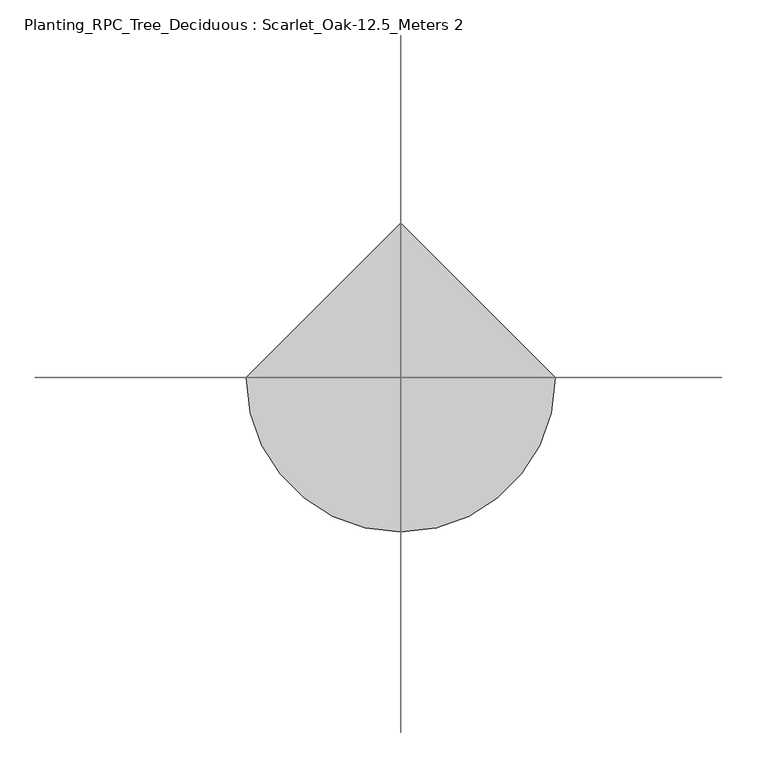
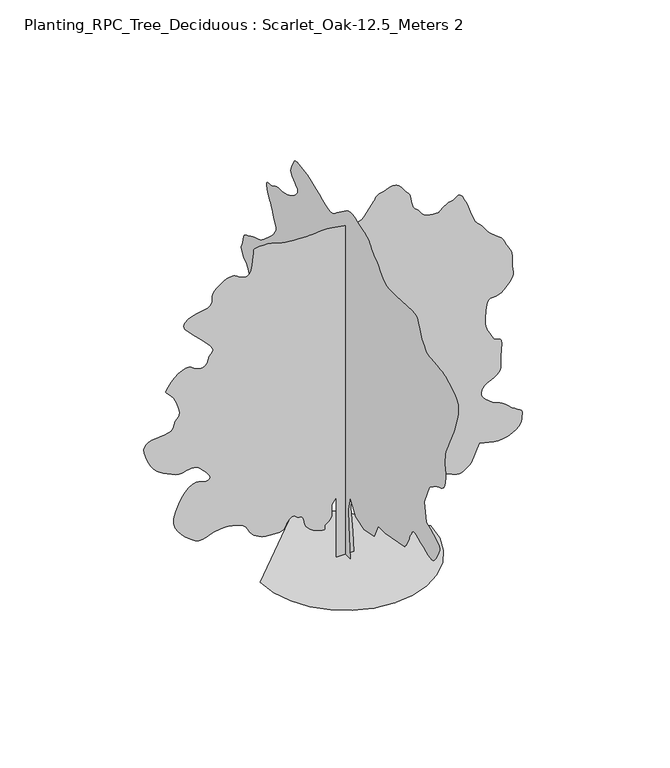
"""IFC4 building model written with IfcOpenShell, lengths in millimetres: geographic element geometry, Planting_RPC_Tree_Deciduous : Scarlet_Oak-12.5_Meters 2."""

from ifc_helpers import new_model, si_unit, origin, place, context, project, spatial, triangles, source, transform, mapped, element, save


def planting_rpc_tree_deciduous_scarlet_oak_12_5_meters_2_d5b0409a(model_context):
    return source(origin(), model_context, "Body", "Tessellation", [
        triangles([(0.0255307, 452.891106, 0.0), (0.0255307, -434.4762053, 0.0), (0.0255307, -291.3528012, 1688.8576698), (0.0255307, -262.7273864, 2490.3479919), (0.0255307, -434.4762053, 3234.5918083), (0.0255307, -892.4732861, 2490.3479919), (0.0255307, -1636.7134689, 2261.3512138), (0.0255307, -2495.4537849, 2461.7247391), (0.0255307, -2838.9508415, 3177.3418144), (0.0255307, -3440.0714172, 3177.3418144), (0.0255307, -5100.3020554, 3492.2153275), (0.0255307, -5161.3890244, 3565.9047249), (0.0255307, -5220.9958511, 3640.0932198), (0.0255307, -5277.5691422, 3715.2810722), (0.0255307, -5329.6281738, 3791.9819138), (0.0255307, -5375.692804, 3870.6808891), (0.0255307, -5414.246846, 3951.89599), (0.0255307, -5443.8101578, 4036.0710846), (0.0255307, -5472.5217773, 4122.7989304), (0.0255307, -5508.7451477, 4211.0069183), (0.0255307, -5551.2210434, 4300.4729691), (0.0255307, -5598.691983, 4390.9380867), (0.0255307, -5649.9371109, 4482.1429848), (0.0255307, -5703.6611572, 4573.8658745), (0.0255307, -5758.679892, 4665.8111343), (0.0255307, -5784.8759674, 4695.5221115), (0.0255307, -5821.0987564, 4719.4979736), (0.0255307, -5877.3389282, 4731.9300636), (0.0255307, -5963.6231964, 4727.0829758), (0.0255307, -6089.9782745, 4699.2218857), (0.0255307, -6266.3942505, 4642.5381363), (0.0255307, -6502.8978378, 4551.3329475), (0.0255307, -6752.611084, 4443.9958946), (0.0255307, -6965.2498489, 4348.2029045), (0.0255307, -7145.846965, 4271.9090149), (0.0255307, -7299.3968948, 4223.1800125), (0.0255307, -7430.9318893, 4210.0081421), (0.0255307, -7545.4097855, 4240.385067), (0.0255307, -7647.9000412, 4322.3399483), (0.0255307, -7751.3152405, 4451.4329407), (0.0255307, -7858.2081345, 4608.5718956), (0.0255307, -7958.1078506, 4779.7341225), (0.0255307, -8040.4702652, 4950.8960587), (0.0255307, -8094.7861359, 5108.0347229), (0.0255307, -8110.5851715, 5237.165213), (0.0255307, -8077.2848785, 5324.1889709), (0.0255307, -7995.9218216, 5389.7157852), (0.0255307, -7878.4842224, 5462.7171432), (0.0255307, -7731.0391525, 5542.0082336), (0.0255307, -7559.5071808, 5626.2937866), (0.0255307, -7369.9931671, 5714.3541092), (0.0255307, -7168.4537247, 5804.8927689), (0.0255307, -6960.9210434, 5896.6900726), (0.0255307, -6789.1669922, 6869.9382248), (0.0255307, -7218.5152039, 7871.7869568), (0.0255307, -7232.0568192, 7890.9160217), (0.0255307, -7253.0729782, 7914.2628525), (0.0255307, -7289.1481018, 7946.1568359), (0.0255307, -7347.7189453, 7990.8157379), (0.0255307, -7436.3338852, 8052.4579056), (0.0255307, -7562.5407166, 8135.4121445), (0.0255307, -7733.7767761, 8243.9328461), (0.0255307, -7919.5538086, 8342.2419617), (0.0255307, -8084.2780563, 8406.4740875), (0.0255307, -8227.986145, 8458.7179916), (0.0255307, -8350.6780746, 8520.9891907), (0.0255307, -8452.3172195, 8615.3020386), (0.0255307, -8532.9402054, 8763.672052), (0.0255307, -8592.5098251, 8988.1507919), (0.0255307, -8626.9937668, 9208.6338455), (0.0255307, -8636.910022, 9350.0112625), (0.0255307, -8629.3250198, 9441.8079849), (0.0255307, -8611.1947311, 9513.5879059), (0.0255307, -8589.5867477, 9594.8771301), (0.0255307, -8571.4942474, 9715.201181), (0.0255307, -8563.9092453, 9904.1605774), (0.0255307, -8566.5730362, 10112.6176208), (0.0255307, -8578.2647644, 10285.5186951), (0.0255307, -8604.4608398, 10443.4346375), (0.0255307, -8650.6737167, 10606.8269897), (0.0255307, -8722.4542191, 10796.2665894), (0.0255307, -8825.2770126, 11032.2905548), (0.0255307, -8964.6190887, 11335.3941467), (0.0255307, -9096.93078, 11609.3785858), (0.0255307, -9185.138768, 11774.6952393), (0.0255307, -9244.7828018, 11876.9262085), (0.0255307, -9291.4398376, 11961.6187134), (0.0255307, -9340.612999, 12074.3583435), (0.0255307, -9407.7682022, 12260.7272003), (0.0255307, -9508.5190292, 12566.2364594), (0.0255307, -9617.0769379, 12919.6602356), (0.0255307, -9690.1149216, 13224.0218903), (0.0255307, -9716.5702835, 13486.3151825), (0.0255307, -9685.4157898, 13713.5687531), (0.0255307, -9585.700946, 13912.7775238), (0.0255307, -9406.3618927, 14090.9317657), (0.0255307, -9136.37314, 14255.1008148), (0.0255307, -8874.4129669, 14390.0402527), (0.0255307, -8702.103717, 14482.9473724), (0.0255307, -8582.8528564, 14544.2564209), (0.0255307, -8480.1038956, 14584.5865173), (0.0255307, -8357.3381332, 14614.3707458), (0.0255307, -8177.9990799, 14644.1561371), (0.0255307, -7905.5308273, 14684.4862335), (0.0255307, -7613.2678528, 14716.2691772), (0.0255307, -7386.6061066, 14728.5533112), (0.0255307, -7207.0077667, 14743.7965668), (0.0255307, -7055.9739624, 14784.6080292), (0.0255307, -6914.930246, 14873.4816742), (0.0255307, -6765.3760025, 15032.9893799), (0.0255307, -6588.7751541, 15285.587915), (0.0255307, -6434.5589859, 15563.310498), (0.0255307, -6343.4279205, 15786.4945496), (0.0255307, -6283.8577194, 15960.0606995), (0.0255307, -6224.2508926, 16089.0795685), (0.0255307, -6133.1198273, 16178.5462006), (0.0255307, -5978.9042404, 16233.4544769), (0.0255307, -5730.0421051, 16258.8354858), (0.0255307, -4356.0469025, 16172.9593323), (0.0255307, -4102.7821289, 16177.3985962), (0.0255307, -3896.5810524, 16176.8067719), (0.0255307, -3721.3859322, 16187.2410187), (0.0255307, -3561.2425095, 16224.6852448), (0.0255307, -3400.0927528, 16305.2338165), (0.0255307, -3221.919326, 16444.8345978), (0.0255307, -3010.6973351, 16659.5831177), (0.0255307, -2807.1565613, 16876.4768555), (0.0255307, -2654.6833099, 17024.2550446), (0.0255307, -2541.2710464, 17121.4909698), (0.0255307, -2454.8946327, 17186.6846649), (0.0255307, -2383.5437553, 17238.337326), (0.0255307, -2315.1935669, 17294.9838684), (0.0255307, -2237.8340446, 17375.1999023), (0.0255307, -2163.5602352, 17469.9197021), (0.0255307, -2102.8024612, 17558.1282715), (0.0255307, -2041.0495445, 17640.3418579), (0.0255307, -1963.7712673, 17717.0057831), (0.0255307, -1856.4490391, 17788.7118713), (0.0255307, -1704.5603451, 17855.9042816), (0.0255307, -1493.5900829, 17919.0632172), (0.0255307, -1256.7494522, 17988.6601318), (0.0255307, -1035.9297186, 18065.7682159), (0.0255307, -829.6287935, 18136.8824799), (0.0255307, -636.3519281, 18188.4595642), (0.0255307, -454.5894035, 18206.9968048), (0.0255307, -282.8398397, 18178.9508423), (0.0255307, -119.6039822, 18090.816687), (0.0255307, 739.137878, 17461.0772186), (0.0255307, 832.1040785, 17376.4579651), (0.0255307, 922.06959, 17299.349881), (0.0255307, 1020.0418802, 17237.2269287), (0.0255307, 1137.0470203, 17197.6735291), (0.0255307, 1284.0924053, 17188.1648071), (0.0255307, 1472.1967667, 17216.2107697), (0.0255307, 1712.3784725, 17289.3225861), (0.0255307, 1984.939016, 17397.881076), (0.0255307, 2259.5011814, 17519.9806), (0.0255307, 2531.0588791, 17644.5974121), (0.0255307, 2794.6061646, 17760.6659088), (0.0255307, 3045.1370934, 17857.2355957), (0.0255307, 3277.6377274, 17923.2443573), (0.0255307, 3487.1095345, 17947.701004), (0.0255307, 3677.6333702, 17961.0583282), (0.0255307, 3854.6228577, 17991.4355438), (0.0255307, 4015.1290489, 18024.2905151), (0.0255307, 4156.0620163, 18045.1590088), (0.0255307, 4274.4989731, 18039.4977264), (0.0255307, 4367.3688858, 17992.7668579), (0.0255307, 4431.7120514, 17890.4254303), (0.0255307, 4489.2099953, 17761.8495575), (0.0255307, 4555.2178848, 17643.2649353), (0.0255307, 4617.230088, 17530.6741333), (0.0255307, 4662.7401009, 17420.0808838), (0.0255307, 4679.1678772, 17307.5272888), (0.0255307, 4654.0449921, 17188.9415039), (0.0255307, 4574.8649414, 17060.3295868), (0.0255307, 4453.6900703, 16942.4844543), (0.0255307, 4323.9680466, 16850.1703217), (0.0255307, 4205.3090103, 16770.3984467), (0.0255307, 4117.174855, 16690.1079987), (0.0255307, 4079.1390953, 16596.312561), (0.0255307, 4110.6630432, 16475.9885101), (0.0255307, 4231.3571297, 16316.0750153), (0.0255307, 4398.0050972, 16156.7533447), (0.0255307, 4555.1440521, 16040.5360199), (0.0255307, 4703.7730614, 15957.8038605), (0.0255307, 4844.8909012, 15899.1586029), (0.0255307, 4979.4972198, 15854.9810669), (0.0255307, 5108.6271286, 15815.8718262), (0.0255307, 5233.2061523, 15772.2117004), (0.0255307, 5357.6369293, 15738.5788696), (0.0255307, 5485.5831894, 15727.4795471), (0.0255307, 5617.0071442, 15726.4063568), (0.0255307, 5751.9460007, 15722.817041), (0.0255307, 5890.3997589, 15704.2065491), (0.0255307, 6032.3690002, 15658.0302979), (0.0255307, 6177.8159363, 15571.856488), (0.0255307, 6328.1468765, 15495.304184), (0.0255307, 6475.9250656, 15467.8500458), (0.0255307, 6608.2001312, 15461.4120667), (0.0255307, 6711.9478683, 15447.9814911), (0.0255307, 6774.1080276, 15399.5111938), (0.0255307, 6781.6930298, 15287.9191681), (0.0255307, 6721.7158768, 15085.2327026), (0.0255307, 6633.0637299, 14871.9282806), (0.0255307, 6559.4711288, 14728.2196106), (0.0255307, 6494.8692581, 14625.5444824), (0.0255307, 6433.3009232, 14535.4127747), (0.0255307, 6368.6990524, 14429.2599518), (0.0255307, 6295.0692444, 14278.5586853), (0.0255307, 6206.4537231, 14054.7456024), (0.0255307, 6112.8071136, 13834.5962494), (0.0255307, 6032.2207535, 13695.5500854), (0.0255307, 5970.6157928, 13610.0797211), (0.0255307, 5934.0598846, 13550.6577667), (0.0255307, 5928.5468491, 13489.7556702), (0.0255307, 5960.1077133, 13399.7716278), (0.0255307, 6034.7002533, 13253.2515015), (0.0255307, 6167.4927292, 13059.0389374), (0.0255307, 6353.8249603, 12852.8375702), (0.0255307, 6570.2379135, 12647.117569), (0.0255307, 6793.1260529, 12454.4223541), (0.0255307, 6999.0309265, 12287.2558136), (0.0255307, 7164.3469986, 12158.1625305), (0.0255307, 7265.5791916, 12079.6115112), (0.0255307, 7355.4521942, 12030.4761383), (0.0255307, 7490.3910507, 11980.8221924), (0.0255307, 7652.3770935, 11930.1694702), (0.0255307, 7823.3910736, 11877.9993988), (0.0255307, 7985.3771164, 11823.8306122), (0.0255307, 8120.3159729, 11767.1840698), (0.0255307, 8210.1889755, 11707.502829), (0.0255307, 8285.4471725, 11657.9232971), (0.0255307, 8381.2767883, 11622.8835754), (0.0255307, 8486.5790817, 11588.8437927), (0.0255307, 8590.4012329, 11542.2605896), (0.0255307, 8681.7171707, 11469.6673462), (0.0255307, 8749.4641983, 11357.4834961), (0.0255307, 8782.6900772, 11192.2412567), (0.0255307, 8809.8849289, 11026.2595276), (0.0255307, 8856.6157974, 10908.8585541), (0.0255307, 8907.3429337, 10821.9824615), (0.0255307, 8946.5998398, 10747.6114197), (0.0255307, 8958.772934, 10667.7662933), (0.0255307, 8928.3957184, 10564.3505127), (0.0255307, 8839.9290253, 10419.3849426), (0.0255307, 8730.1130539, 10283.5955566), (0.0255307, 8641.3132416, 10202.4167908), (0.0255307, 8566.5358292, 10149.7665161), (0.0255307, 8498.7521759, 10099.5939972), (0.0255307, 8431.0051483, 10025.8903564), (0.0255307, 8356.2277359, 9902.6432281), (0.0255307, 8267.4279236, 9703.768158), (0.0255307, 8170.6361572, 9504.5599686), (0.0255307, 8081.8357635, 9378.9821686), (0.0255307, 8009.0570663, 9298.9510071), (0.0255307, 7960.328064, 9236.4211029), (0.0255307, 7943.6407104, 9163.4197449), (0.0255307, 7966.9881226, 9051.8277191), (0.0255307, 8038.4349243, 8873.6728958), (0.0255307, 8133.3401779, 8678.7940933), (0.0255307, 8222.6951889, 8527.5010025), (0.0255307, 8308.0911392, 8407.2507843), (0.0255307, 8390.933757, 8305.501181), (0.0255307, 8472.8148056, 8209.7820236), (0.0255307, 8555.1772202, 8107.5510544), (0.0255307, 8639.5371872, 7986.3020599), (0.0255307, 8737.4387695, 7866.7180801), (0.0255307, 8851.3620483, 7769.1490356), (0.0255307, 8969.2810135, 7680.6079285), (0.0255307, 9079.2080246, 7588.0339279), (0.0255307, 9169.0810272, 7478.477243), (0.0255307, 9226.9117996, 7338.8392548), (0.0255307, 9240.6760757, 7156.1701721), (0.0255307, 9252.2567642, 7012.7207886), (0.0255307, 9294.9181137, 6965.3980957), (0.0255307, 9343.5732834, 6963.1412567), (0.0255307, 9373.2098465, 6954.8900162), (0.0255307, 9358.7432877, 6889.5480743), (0.0255307, 9275.2338501, 6716.0551758), (0.0255307, 9097.5598114, 6383.313858), (0.0255307, 8911.7827789, 6010.0947784), (0.0255307, 8799.6361359, 5735.5551407), (0.0255307, 8729.5212296, 5539.0851563), (0.0255307, 8669.9510284, 5400.2238647), (0.0255307, 8589.3280426, 5298.3998474), (0.0255307, 8456.1280334, 5213.1149368), (0.0255307, 8238.8267624, 5123.8337585), (0.0255307, 7987.9298676, 5051.3881805), (0.0255307, 7767.1142761, 5021.010965), (0.0255307, 7564.3167709, 5018.6797119), (0.0255307, 7367.5508743, 5030.3720215), (0.0255307, 7164.7539505, 5042.027124), (0.0255307, 6943.9377777, 5039.695871), (0.0255307, 6693.0780899, 5009.3192368), (0.0255307, 6442.8840591, 4982.1238037), (0.0255307, 6226.7298111, 4987.9699585), (0.0255307, 6036.6239731, 5010.8360046), (0.0255307, 5864.5368027, 5034.700827), (0.0255307, 5702.4769272, 5043.5438919), (0.0255307, 5542.4151855, 5021.3440842), (0.0255307, 5376.3218353, 4952.0802887), (0.0255307, 5217.3699097, 4878.4498993), (0.0255307, 5085.9087479, 4839.8958572), (0.0255307, 4985.0102554, 4815.3650871), (0.0255307, 4917.6701797, 4783.8411392), (0.0255307, 4886.8860123, 4724.2340218), (0.0255307, 4895.6552444, 4615.6019897), (0.0255307, 4946.974205, 4436.8181351), (0.0255307, 5029.7429901, 4246.8968788), (0.0255307, 5129.050882, 4112.5129303), (0.0255307, 5242.160257, 4024.4901054), (0.0255307, 5366.2579147, 3973.5039734), (0.0255307, 5498.606813, 3950.3050987), (0.0255307, 5636.4687469, 3945.6059669), (0.0255307, 5777.0688858, 3950.194059), (0.0255307, 6320.9688263, 3349.0920868), (0.0255307, 6363.5929688, 3281.4078461), (0.0255307, 6404.4782639, 3212.4768791), (0.0255307, 6441.8852829, 3141.0411232), (0.0255307, 6474.0007645, 3065.8460037), (0.0255307, 6499.124231, 2985.6482826), (0.0255307, 6515.4778839, 2899.1904785), (0.0255307, 6521.3240387, 2805.221505), (0.0255307, 6520.3252625, 2707.2455086), (0.0255307, 6513.3320847, 2610.2723579), (0.0255307, 6494.2768524, 2515.3043175), (0.0255307, 6457.2401596, 2423.3372566), (0.0255307, 6396.1531906, 2335.3770733), (0.0255307, 6305.0221252, 2252.4231251), (0.0255307, 6177.8159363, 2175.4779671), (0.0255307, 6056.4931091, 2110.1322464), (0.0255307, 5971.2081985, 2059.3090405), (0.0255307, 5898.42892, 2020.0038815), (0.0255307, 5814.6241516, 1989.2088135), (0.0255307, 5696.2982346, 1963.9230022), (0.0255307, 5519.8822586, 1941.1383465), (0.0255307, 5261.8439392, 1917.8543026), (0.0255307, 4968.3229019, 1921.1917442), (0.0255307, 4697.8530739, 1972.5995075), (0.0255307, 4445.4019135, 2060.5633244), (0.0255307, 4205.974958, 2173.5575901), (0.0255307, 3974.576873, 2300.075449), (0.0255307, 3746.1390724, 2428.5949299), (0.0255307, 3515.7324966, 2547.5979858), (0.0255307, 3310.2680031, 2655.8378906), (0.0255307, 3151.3713066, 2758.0688599), (0.0255307, 3026.0228531, 2851.7898834), (0.0255307, 2921.2054138, 2934.4921028), (0.0255307, 2823.899144, 3003.6747986), (0.0255307, 2721.0836174, 3056.8363792), (0.0255307, 2599.7421867, 3091.468277), (0.0255307, 2466.2980064, 3120.6760872), (0.0255307, 2334.8590816, 3156.895388), (0.0255307, 2203.9198357, 3196.6223236), (0.0255307, 2071.9815228, 3236.3454803), (0.0255307, 1937.534642, 3272.5647812), (0.0255307, 1799.0843719, 3301.7725914), (0.0255307, 1655.1283333, 3320.4650551), (0.0255307, 1507.916534, 3330.2292847), (0.0255307, 1360.700956, 3335.4871033), (0.0255307, 1213.4890114, 3336.9893372), (0.0255307, 1066.2770668, 3335.4871033), (0.0255307, 919.0651949, 3331.7315186), (0.0255307, 771.8496168, 3326.4739906), (0.0255307, 624.6376722, 3320.4650551), (0.0255307, 338.3916269, 2891.0950424), (0.0255307, 281.1415422, 2232.727961), (415.0586042, 0.0008892, 0.0136341), (-443.6817844, 0.0008892, 0.0136341), (-443.6817844, 0.0007039, 3148.7296074), (-672.682196, 0.0007039, 2833.8595825), (-672.682196, 0.000741, 2490.3628166), (-667.4245228, 0.000741, 2410.664629), (-667.4245228, 0.000741, 2331.2145367), (-677.9398693, 0.000741, 2252.2677567), (-704.2246748, 0.000778, 2174.0719482), (-751.5440248, 0.000778, 2096.8788403), (-825.1518139, 0.000778, 2020.9326038), (-930.3020817, 0.000778, 1946.4922348), (-1012.6714725, 0.000778, 1869.2141029), (-1035.4561283, 0.000778, 1790.9332706), (-1030.1983824, 0.000778, 1721.169651), (-1028.444565, 0.000778, 1669.425135), (-1061.7445673, 0.000778, 1645.22356), (-1161.6372345, 0.000778, 1658.0772812), (-1359.6722397, 0.000778, 1717.495602), (-1585.5831596, 0.000778, 1810.0473656), (-1754.4105, 0.000778, 1914.613076), (-1875.6669067, 0.000778, 2029.1983784), (-1958.8724384, 0.000778, 2151.7904594), (-2013.536253, 0.000741, 2280.3913307), (-2049.1709965, 0.000741, 2412.9993702), (-2075.2929485, 0.000741, 2547.6128105), (-2081.9678318, 0.000741, 2584.2466209), (-2091.898621, 0.000741, 2619.8810738), (-2108.3377338, 0.000741, 2653.5179741), (-2134.5448551, 0.000741, 2684.142849), (-2173.7648449, 0.000741, 2710.7641891), (-2229.2648003, 0.000741, 2732.3797302), (-2304.2897266, 0.000741, 2747.9863358), (-2379.314653, 0.000741, 2773.6865112), (-2438.3148308, 0.000741, 2816.9173027), (-2489.807618, 0.0007039, 2863.6519501), (-2542.299472, 0.0007039, 2899.8712509), (-2604.3078964, 0.0007039, 2911.5560028), (-2684.3387672, 0.0007039, 2884.6829338), (-2790.9098785, 0.000741, 2805.2328415), (-2884.6274139, 0.000741, 2694.0736382), (-2937.7889946, 0.000741, 2585.4157356), (-2976.4279152, 0.000741, 2485.2715576), (-3026.5815399, 0.000741, 2399.6461155), (-3114.2936279, 0.000741, 2334.5557571), (-3265.5939857, 0.000741, 2295.9979362), (-3506.5269539, 0.000741, 2289.989146), (-3772.7420998, 0.000741, 2307.6825428), (-3988.8960571, 0.000741, 2336.890353), (-4164.4609222, 0.000741, 2378.6190559), (-4309.0201218, 0.000741, 2433.863649), (-4432.0448799, 0.000741, 2503.6309021), (-4543.0078743, 0.000741, 2588.9233704), (-4651.5288666, 0.000741, 2690.7363419), (-4743.5479591, 0.000741, 2802.3949333), (-4809.5930557, 0.0007039, 2914.5601799), (-4865.573941, 0.0007039, 3024.2171494), (-4927.5858536, 0.0007039, 3128.3686409), (-5011.6132828, 0.0007039, 3224.0061172), (-5133.7128067, 0.0007039, 3308.1291801), (-5309.8700775, 0.0007039, 3377.7298737), (-5486.9889175, 0.0007039, 3430.6362373), (-5615.4897949, 0.0006669, 3468.0249435), (-5716.9812744, 0.0006669, 3491.8935448), (-5812.959137, 0.0006669, 3504.2442444), (-5924.9209076, 0.0006669, 3507.0818619), (-6074.4751511, 0.0006669, 3502.4088913), (-6283.1182297, 0.0006669, 3492.2263733), (-6512.5181808, 0.0006669, 3456.0922417), (-6716.4249207, 0.0007039, 3388.9114586), (-6904.2739197, 0.0007039, 3315.72174), (-7085.6111069, 0.0007039, 3261.5610924), (-7269.9818298, 0.0007039, 3251.4637436), (-7466.8221405, 0.0007039, 3310.4639214), (-7685.7140121, 0.0006669, 3463.6034111), (-7914.7442184, 0.0006669, 3668.3981781), (-8126.1987534, 0.0006669, 3871.6799561), (-8306.1302124, 0.0006298, 4082.506041), (-8440.4772446, 0.0006298, 4309.8340256), (-8515.2540756, 0.0006298, 4562.6921379), (-8516.4377243, 0.0005928, 4850.1080246), (-8429.969165, 0.0005928, 5181.073288), (-8285.2617188, 0.0005557, 5514.8872147), (-8124.0157471, 0.0005557, 5801.1557877), (-7950.782135, 0.0005187, 6034.3299271), (-7770.0367722, 0.0005187, 6208.8960159), (-7586.2578735, 0.0005187, 6319.3782257), (-7403.9957428, 0.0005187, 6360.3001465), (-7227.7280136, 0.0005187, 6326.07491), (-7061.486998, 0.0005187, 6268.5028427), (-6914.3012146, 0.0005187, 6243.9351563), (-6798.1210968, 0.0005187, 6253.9618698), (-6725.0092804, 0.0005187, 6300.0270813), (-6706.9900314, 0.0005187, 6383.6469772), (-6756.052153, 0.0005187, 6506.3389069), (-6884.2199112, 0.0004816, 6669.5830124), (-7033.6997406, 0.0004816, 6833.3079025), (-7147.6230194, 0.0004816, 6959.4781082), (-7239.4941559, 0.0004816, 7052.6067261), (-7322.8547653, 0.0004816, 7117.2091782), (-7411.2482071, 0.0004816, 7157.7607727), (-7518.1411011, 0.0004446, 7178.8141388), (-7657.112851, 0.0004446, 7184.807959), (-7799.6367096, 0.0004816, 7171.3768021), (-7917.6667145, 0.0004816, 7140.4077621), (-8025.1520142, 0.0004816, 7105.9610275), (-8136.1522156, 0.0004816, 7081.9851654), (-8264.653093, 0.0004816, 7082.5769897), (-8424.7148346, 0.0004816, 7121.7228561), (-8630.3610031, 0.0004446, 7213.4457458), (-8848.5872177, 0.0004446, 7323.1878845), (-9040.7650223, 0.0004446, 7418.3890503), (-9212.4452408, 0.0004446, 7516.1429672), (-9369.0659134, 0.0004446, 7633.3962753), (-9516.2150711, 0.0004446, 7787.1682846), (-9659.3307541, 0.0004075, 7994.5527191), (-9803.9643677, 0.0004075, 8272.5712143), (-9923.5477661, 0.0003705, 8561.0600006), (-9989.5565277, 0.0003705, 8792.9760773), (-10004.5044525, 0.0003705, 8974.8312561), (-9970.870459, 0.0003334, 9113.1001419), (-9891.172998, 0.0003334, 9214.3317535), (-9767.9258698, 0.0003334, 9285.0018585), (-9603.5719482, 0.0003334, 9331.6588943), (-9409.5442566, 0.0003334, 9358.4467941), (-9204.5271194, 0.0003334, 9374.2458298), (-9001.9522751, 0.0003334, 9392.4871582), (-8815.4351715, 0.0003334, 9426.7862274), (-8658.4807983, 0.0003334, 9490.648027), (-8544.5581009, 0.0003334, 9597.540921), (-8487.2081131, 0.0002964, 9761.0437317), (-8444.8432571, 0.0002964, 9918.922467), (-8379.3902756, 0.0002964, 10021.7464233), (-8309.9782333, 0.0002964, 10102.0357086), (-8255.5507416, 0.0002964, 10192.3162445), (-8235.2008209, 0.0002593, 10325.1825531), (-8267.9092896, 0.0002593, 10533.160556), (-8372.730217, 0.0002593, 10848.7703613), (-8521.1740631, 0.0002223, 11159.6444092), (-8663.1427231, 0.0002223, 11355.3371155), (-8785.0579559, 0.0002223, 11471.4428192), (-8873.4508163, 0.0001852, 11543.445401), (-8914.7430634, 0.0001852, 11606.9368744), (-8895.4657516, 0.0001852, 11697.5127411), (-8802.0778473, 0.0001852, 11850.655719), (-8651.5620346, 0.0001852, 12041.761496), (-8477.4767303, 0.0001482, 12215.8462189), (-8291.36716, 0.0001482, 12362.8837555), (-8104.7390167, 0.0001482, 12472.8851807), (-7929.1741516, 0.0001482, 12535.7848297), (-7776.1050064, 0.0001482, 12541.6309845), (-7657.112851, 0.0001482, 12480.3963501), (-7540.4519485, 0.0001482, 12389.0798309), (-7396.7438599, 0.0001482, 12317.8179016), (-7241.0109238, 0.0001482, 12276.082077), (-7088.2748978, 0.0001482, 12273.4182861), (-6953.5947464, 0.0001482, 12319.3352509), (-6851.9561829, 0.0001482, 12423.3044861), (-6798.3798019, 0.0001482, 12594.8742462), (-6749.2810547, 0.0001482, 12758.4514709), (-6672.1729706, 0.0001111, 12855.4281097), (-6598.5797882, 0.0001111, 12920.8438843), (-6560.0257462, 0.0001111, 12989.7745605), (-6588.07229, 0.0001111, 13097.2598602), (-6714.2419144, 0.0001111, 13278.3755493), (-6970.1338531, 7.41e-05, 13568.121817), (-7290.9979889, 7.41e-05, 13895.4239319), (-7577.8217606, 3.7e-05, 14171.1477997), (-7810.5889481, 3.7e-05, 14403.3231628), (-7969.2077545, 3.7e-05, 14599.941394), (-8033.7357925, 0.0, 14769.031073), (-7984.0818466, 0.0, 14918.5847351), (-7800.2291153, 0.0, 15056.5949158), (-7555.0301285, 0.0, 15162.9326111), (-7335.3981857, 0.0, 15223.6870422), (-7142.2948563, 0.0, 15256.3955109), (-6976.720079, -3.7e-05, 15278.5953186), (-6839.672049, -3.7e-05, 15307.7877228), (-6732.1867493, -3.7e-05, 15361.5495575), (-6655.2269119, -3.7e-05, 15457.3425476), (-6616.8577423, -3.7e-05, 15570.6728394), (-6611.0121689, -3.7e-05, 15669.9807312), (-6617.6722275, -3.7e-05, 15762.2960266), (-6616.8577423, -3.7e-05, 15854.611322), (-6588.4792419, -7.41e-05, 15953.9192139), (-6512.5181808, -7.41e-05, 16067.2495056), (-6368.9949646, -7.41e-05, 16201.5971191), (-6193.3190598, -7.41e-05, 16334.5378418), (-6032.6649124, -7.41e-05, 16437.9524597), (-5884.5541855, -0.0001111, 16510.2875793), (-5746.4329651, -0.0001111, 16550.1002655), (-5615.8229141, -0.0001111, 16555.8720062), (-5490.2079071, -0.0001111, 16526.0505707), (-5367.1462326, -7.41e-05, 16459.2279053), (-5240.2731628, -7.41e-05, 16377.5317291), (-5109.4410324, -7.41e-05, 16313.8553833), (-4981.0878204, -7.41e-05, 16282.7014709), (-4861.7259201, -7.41e-05, 16298.648172), (-4757.9040596, -7.41e-05, 16376.163208), (-4676.1340508, -0.0001111, 16529.8235962), (-4622.8910797, -0.0001111, 16774.0982208), (-4591.108136, -0.0001111, 17036.3915131), (-4568.3159225, -0.0001482, 17239.0768158), (-4553.0348785, -0.0001482, 17389.223465), (-4543.7848618, -0.0001482, 17493.7845245), (-4539.0118973, -0.0001482, 17559.7932861), (-4537.2730499, -0.0001482, 17594.2772278), (-4537.0140541, -0.0001482, 17604.1929016), (-4499.3849556, -0.0001482, 17610.0390564), (-4397.1539864, -0.0001482, 17622.9150146), (-4246.3419708, -0.0001482, 17635.7537659), (-4063.0069405, -0.0001482, 17641.5999207), (-3863.133094, -0.0001482, 17633.4225128), (-3662.7520111, -0.0001482, 17604.1929016), (-3477.903701, -0.0001482, 17546.9545349), (-3308.4067795, -0.0001482, 17483.2770264), (-3138.4101791, -0.0001482, 17437.1379822), (-2960.4033119, -0.0001482, 17404.9852936), (-2766.8712296, -0.0001482, 17383.3773102), (-2550.3100296, -0.0001482, 17368.7991302), (-2303.201857, -0.0001482, 17357.698645), (-2018.0391758, -0.0001482, 17346.5993225), (-1742.8110626, -0.0001482, 17345.0075592), (-1516.1490257, -0.0001482, 17358.4392975), (-1316.5266174, -0.0001482, 17377.38349), (-1122.4134659, -0.0001482, 17392.3314148), (-912.2794172, -0.0001482, 17393.7371429), (-664.5866146, -0.0001482, 17372.1291595), (-357.8096277, -0.0001482, 17317.9615356), (-47.6941092, -0.0001482, 17253.5445374), (202.3345066, -0.0001482, 17209.1437592), (402.2899069, -0.0001482, 17187.2764893), (562.1890858, -0.0001482, 17190.4216461), (692.0443136, -0.0001482, 17221.1686066), (801.8676973, -0.0001482, 17281.9230377), (901.6789015, -0.0001482, 17375.1999023), (1331.0491322, -0.0001852, 17919.0632172), (1395.4771763, -0.0001852, 18002.9418182), (1446.8849396, -0.0001852, 18081.8265381), (1493.2829796, -0.0001852, 18154.160495), (1542.6891209, -0.0001852, 18218.5042419), (1603.1101421, -0.0001852, 18273.3381042), (1682.5602345, -0.0001852, 18317.1458954), (1789.0461765, -0.0001852, 18348.4474731), (1919.5674248, -0.0002223, 18384.3383057), (2062.1062534, -0.0002223, 18432.2528229), (2211.1532604, -0.0002223, 18476.1350281), (2361.2067467, -0.0002223, 18499.9998505), (2506.7498978, -0.0002223, 18487.8273376), (2642.2773811, -0.0002223, 18423.5580048), (2762.2869164, -0.0001852, 18291.2091064), (2868.8542488, -0.0001852, 18140.2485535), (2966.4119568, -0.0001852, 18022.8115356), (3052.9552208, -0.0001852, 17926.9069244), (3126.4777679, -0.0001852, 17840.5494049), (3184.9785576, -0.0001852, 17751.6745972), (3226.4553864, -0.0001482, 17648.2599792), (3248.9034348, -0.0001482, 17518.3155853), (3264.5100403, -0.0001482, 17383.635434), (3286.1252907, -0.0001482, 17271.4887909), (3312.7469215, -0.0001482, 17178.1014679), (3343.3717964, -0.0001111, 17099.735321), (3377.0049179, -0.0001111, 17032.6173248), (3412.6393707, -0.0001111, 16973.0465424), (3449.27696, -0.0001111, 16917.2139038), (3486.3287682, -0.0001111, 16892.0910187), (3524.8862984, -0.0001111, 16863.4532318), (3566.4448082, -0.0001111, 16827.8216858), (3612.5135078, -0.0001111, 16781.6826416), (3664.5873642, -0.0001111, 16721.5211975), (3724.1610535, -0.0001111, 16643.8212891), (3792.7589012, -0.0001111, 16545.1052216), (3894.4349625, -7.41e-05, 16451.2725769), (4038.1430511, -7.41e-05, 16387.040451), (4202.8670082, -7.41e-05, 16346.7847687), (4367.5909653, -7.41e-05, 16325.1035339), (4511.299054, -7.41e-05, 16316.4075531), (4612.9751152, -7.41e-05, 16315.2611115), (4651.5288666, -7.41e-05, 16316.1122223), (4671.2869629, -7.41e-05, 16336.7214294), (4725.6400406, -7.41e-05, 16389.8530701), (4807.0030975, -7.41e-05, 16462.5579346), (4907.9021713, -0.0001111, 16541.7379852), (5020.7888855, -0.0001111, 16614.4428497), (5138.227066, -0.0001111, 16667.6116974), (5252.6311295, -0.0001111, 16688.2209045), (5355.1952179, -0.0001111, 16713.3437897), (5445.7338776, -0.0001111, 16769.9914948), (5529.7979324, -0.0001111, 16830.1529388), (5612.826004, -0.0001111, 16865.8205292), (5700.3677536, -0.0001111, 16848.8750519), (5797.9367981, -0.0001111, 16751.305426), (5911.0089661, -0.0001111, 16545.1052216), (6017.4949081, -7.41e-05, 16302.8293121), (6096.9342453, -7.41e-05, 16107.1354431), (6157.3549759, -7.41e-05, 15944.9651093), (6206.7502167, -3.7e-05, 15803.3656128), (6253.147966, -3.7e-05, 15669.2412415), (6304.5779663, -3.7e-05, 15529.6404602), (6368.9949646, -3.7e-05, 15371.4652313), (6435.1880173, 0.0, 15232.6783539), (6491.835141, 0.0, 15144.4697845), (6547.0021225, 0.0, 15083.8269745), (6608.6809158, 0.0, 15027.6606354), (6684.8640564, 0.0, 14952.9582184), (6783.5801239, 0.0, 14836.7036865), (6912.8582794, 0.0, 14655.8484467), (7071.9950775, 3.7e-05, 14454.5677094), (7246.6722061, 3.7e-05, 14286.3291412), (7424.3462448, 3.7e-05, 14142.1030609), (7592.5109802, 7.41e-05, 14012.9365265), (7738.6241547, 7.41e-05, 13889.7626495), (7850.2161804, 7.41e-05, 13763.5563995), (7914.7442184, 7.41e-05, 13625.3613464), (7965.3969406, 7.41e-05, 13489.8300842), (8036.0670456, 0.0001111, 13368.3223846), (8115.2837219, 0.0001111, 13246.8135223), (8191.4668625, 0.0001111, 13111.2834229), (8253.1462372, 0.0001111, 12947.7434052), (8288.7772018, 0.0001482, 12742.0966553), (8286.8529007, 0.0001482, 12480.3963501), (8282.9310471, 0.0001482, 12228.8698425), (8304.5390305, 0.0001852, 12045.4240631), (8328.1451477, 0.0001852, 11903.5664429), (8330.2537399, 0.0001852, 11776.6927917), (8287.2598526, 0.0001852, 11638.3500732), (8175.7050339, 0.0002223, 11461.8968903), (7971.9831665, 0.0002223, 11220.8790436), (7730.2252487, 0.0002223, 11018.5262787), (7520.5089798, 0.0002223, 10937.3114685), (7343.3157257, 0.0002223, 10919.6985901), (7199.2012665, 0.0002223, 10908.1179016), (7088.608017, 0.0002593, 10844.921759), (7012.0917572, 0.0002593, 10672.6125092), (6970.0972275, 0.0002593, 10333.5448334), (6954.4092316, 0.0002964, 9958.3282013), (6956.7771103, 0.0002964, 9694.2588547), (6977.6078156, 0.0003334, 9508.8521484), (7017.5309601, 0.0003334, 9369.4728653), (7076.9529144, 0.0003334, 9243.6357788), (7156.3922516, 0.0003334, 9098.7440414), (7256.3658005, 0.0003705, 8902.311264), (7370.4367447, 0.0003705, 8731.4821564), (7485.5442535, 0.0003705, 8653.7822479), (7592.1040283, 0.0003705, 8622.1469696), (7680.6451355, 0.0003705, 8589.512915), (7741.6582718, 0.0003705, 8508.8160965), (7765.5969269, 0.0004075, 8332.9547379), (7742.9901672, 0.0004075, 8014.9398468), (7712.2798325, 0.0004446, 7664.3281082), (7707.581282, 0.0004446, 7407.8809708), (7712.9460709, 0.0004446, 7224.0282394), (7712.2798325, 0.0004816, 7091.2718079), (7689.5620331, 0.0004816, 6988.0420624), (7628.8081833, 0.0004816, 6892.8042709), (7513.997168, 0.0004816, 6784.0609085), (7375.2841232, 0.0004816, 6682.0892258), (7252.5921936, 0.0004816, 6613.1579681), (7144.4412369, 0.0004816, 6564.762085), (7049.3139038, 0.0005187, 6524.3581558), (6965.6940079, 0.0005187, 6479.4771744), (6892.1008255, 0.0005187, 6417.5390945), (6826.9809631, 0.0005187, 6326.07491), (6775.2550507, 0.0005187, 6220.1807922), (6746.0248581, 0.0005187, 6120.281076), (6744.3598434, 0.0005187, 6021.8981277), (6775.2550507, 0.0005557, 5920.4810623), (6843.6677353, 0.0005557, 5811.5900345), (6954.6679367, 0.0005557, 5690.6369522), (7113.2501175, 0.0005557, 5553.2191772), (7281.3038132, 0.0005557, 5432.7840866), (7423.8648788, 0.0005557, 5353.8999481), (7550.3682037, 0.0005928, 5298.5847198), (7670.3957611, 0.0005928, 5248.7831085), (7793.3841843, 0.0005928, 5186.4380768), (7928.9148651, 0.0005928, 5093.530957), (8086.4610626, 0.0005928, 4952.0802887), (8253.7380615, 0.0005928, 4805.9671143), (8407.9542297, 0.0005928, 4701.404892), (8543.1517914, 0.0006298, 4623.8529396), (8653.300882, 0.0006298, 4558.844117), (8732.4070999, 0.0006298, 4491.8368698), (8774.4760437, 0.0006298, 4408.2910973), (8773.4772675, 0.0006298, 4293.7018707), (8757.0492004, 0.0006298, 4163.6101021), (8747.0957382, 0.0006669, 4041.5099968), (8729.1509033, 0.0006669, 3924.9229271), (8688.6731415, 0.0006669, 3811.3699745), (8611.1581055, 0.0006669, 3698.2757149), (8482.0648224, 0.0006669, 3583.1908791), (8286.8529007, 0.0006669, 3463.6034111), (8053.7531754, 0.0007039, 3366.7965294), (7820.6900757, 0.0007039, 3316.5580261), (7587.589769, 0.0007039, 3305.1250031), (7354.4900436, 0.0007039, 3324.7348526), (7121.426944, 0.0007039, 3367.6290367), (6888.3272186, 0.0007039, 3426.048436), (6655.2269119, 0.0006669, 3492.2263733), (6254.4798615, 0.000741, 2604.8628044), (6156.2817856, 0.000741, 2519.7368958), (6057.5290924, 0.000741, 2439.1214676), (5957.8142487, 0.000741, 2367.5190067), (5856.5820557, 0.000741, 2309.4327267), (5753.3517288, 0.000741, 2269.3764507), (5647.6058578, 0.000741, 2251.8532471), (5538.8630768, 0.000741, 2261.3660385), (5450.2481369, 0.000741, 2282.9776554), (5394.1562119, 0.000741, 2301.0891953), (5354.1220276, 0.000741, 2319.2007351), (5313.5698517, 0.000741, 2340.812352), (5255.9611588, 0.000741, 2369.4392384), (5164.8300934, 0.000741, 2408.5778378), (5023.6381302, 0.000741, 2461.7395638), (4839.7109848, 0.000741, 2538.9325264), (4638.7639481, 0.000741, 2641.1634956), (4431.7858841, 0.000741, 2758.4165131), (4229.8400711, 0.0007039, 2880.6756203), (4043.8778755, 0.0007039, 2997.9286377), (3885.0000732, 0.0007039, 3100.1596069), (3764.1580307, 0.0007039, 3177.3566391), (3661.8346252, 0.0007039, 3245.3699295), (3552.0110962, 0.0007039, 3325.4008003), (3435.9237053, 0.0007039, 3415.4514084), (3314.8337128, 0.0006669, 3513.5087952), (3189.9846474, 0.0006669, 3617.5751175), (3062.6342812, 0.0006669, 3725.640905), (2934.0334099, 0.0006669, 3835.7158722), (2905.4063782, 0.0006298, 4265.1010002), (2332.9128342, 0.0006298, 4322.3399483), (1302.4222458, 0.0006298, 4236.4629227), (615.4321295, 0.0006669, 3864.3539497), (329.1838314, 0.0007039, 3177.3566391), (271.9348367, 0.000741, 2375.8625381), (357.808138, 0.0008151, 1059.1286659), (-4226.7321213, 0.0, 0.033196), (-4114.9921394, -968.4897943, 0.033196), (-3796.7548782, -1857.8957531, 0.033196), (-3297.5141304, -2642.7288071, 0.033196), (-2642.7288071, -3297.5141304, 0.033196), (-1857.8957531, -3796.7548782, 0.033196), (-968.4897943, -4114.9921394, 0.033196), (0.0001848, -4226.7321213, 0.033196), (968.4897943, -4114.9921394, 0.033196), (1857.8957531, -3796.7548782, 0.033196), (2642.7288071, -3297.5141304, 0.033196), (3297.5141304, -2642.7288071, 0.033196), (3796.7548782, -1857.8957531, 0.033196), (4114.9921394, -968.4897943, 0.033196), (4226.7321213, 0.0003705, 0.033196), (-0.0005543, 4226.7321213, 0.033196)], [[1, 2, 3], [368, 1, 3], [368, 3, 4], [367, 368, 4], [367, 4, 5], [277, 278, 279], [366, 367, 5], [276, 277, 279], [276, 279, 280], [7, 8, 9], [6, 7, 9], [5, 6, 9], [315, 316, 317], [201, 202, 203], [200, 201, 203], [200, 203, 204], [199, 200, 204], [199, 204, 205], [198, 199, 205], [198, 205, 206], [198, 206, 207], [197, 198, 207], [197, 207, 208], [275, 276, 280], [196, 197, 208], [195, 196, 208], [194, 195, 208], [194, 208, 209], [193, 194, 209], [192, 193, 209], [192, 209, 210], [191, 192, 210], [191, 210, 211], [191, 211, 212], [190, 191, 212], [190, 212, 213], [190, 213, 214], [189, 190, 214], [189, 214, 215], [188, 189, 215], [187, 188, 215], [186, 187, 215], [10, 11, 12], [314, 315, 317], [10, 12, 13], [10, 13, 14], [10, 14, 15], [10, 15, 16], [10, 16, 17], [10, 17, 18], [10, 18, 19], [10, 19, 20], [10, 20, 21], [10, 21, 22], [185, 186, 215], [185, 215, 216], [275, 280, 281], [10, 22, 23], [167, 168, 169], [166, 167, 169], [165, 166, 169], [165, 169, 170], [164, 165, 170], [164, 170, 171], [163, 164, 171], [163, 171, 172], [163, 172, 173], [163, 173, 174], [163, 174, 175], [163, 175, 176], [163, 176, 177], [163, 177, 178], [163, 178, 179], [163, 179, 180], [162, 163, 180], [161, 162, 180], [160, 161, 180], [159, 160, 180], [159, 180, 181], [158, 159, 181], [157, 158, 181], [156, 157, 181], [156, 181, 182], [155, 156, 182], [154, 155, 182], [154, 182, 183], [9, 10, 23], [9, 23, 24], [9, 24, 25], [45, 46, 47], [44, 45, 47], [44, 47, 48], [43, 44, 48], [43, 48, 49], [42, 43, 49], [42, 49, 50], [41, 42, 50], [40, 41, 50], [40, 50, 51], [39, 40, 51], [38, 39, 51], [37, 38, 51], [36, 37, 51], [35, 36, 51], [34, 35, 51], [33, 34, 51], [33, 51, 52], [32, 33, 52], [32, 52, 53], [31, 32, 53], [30, 31, 53], [29, 30, 53], [28, 29, 53], [28, 53, 54], [27, 28, 54], [26, 27, 54], [5, 9, 25], [5, 25, 26], [5, 26, 54], [5, 54, 55], [366, 5, 55], [365, 366, 55], [364, 365, 55], [363, 364, 55], [362, 363, 55], [361, 362, 55], [361, 55, 56], [153, 154, 183], [153, 183, 184], [313, 314, 317], [360, 361, 56], [184, 185, 216], [153, 184, 216], [152, 153, 216], [152, 216, 217], [243, 244, 245], [242, 243, 245], [242, 245, 246], [241, 242, 246], [241, 246, 247], [241, 247, 248], [240, 241, 248], [240, 248, 249], [240, 249, 250], [239, 240, 250], [239, 250, 251], [238, 239, 251], [237, 238, 251], [236, 237, 251], [235, 236, 251], [234, 235, 251], [233, 234, 251], [232, 233, 251], [231, 232, 251], [230, 231, 251], [229, 230, 251], [228, 229, 251], [228, 251, 252], [227, 228, 252], [226, 227, 252], [226, 252, 253], [226, 253, 254], [226, 254, 255], [226, 255, 256], [226, 256, 257], [225, 226, 257], [224, 225, 257], [223, 224, 257], [222, 223, 257], [222, 257, 258], [221, 222, 258], [220, 221, 258], [115, 116, 117], [114, 115, 117], [114, 117, 118], [113, 114, 118], [113, 118, 119], [112, 113, 119], [111, 112, 119], [110, 111, 119], [152, 217, 218], [313, 317, 318], [313, 318, 319], [313, 319, 320], [313, 320, 321], [313, 321, 322], [313, 322, 323], [313, 323, 324], [313, 324, 325], [313, 325, 326], [313, 326, 327], [313, 327, 328], [313, 328, 329], [313, 329, 330], [313, 330, 331], [313, 331, 332], [313, 332, 333], [313, 333, 334], [313, 334, 335], [313, 335, 336], [313, 336, 337], [313, 337, 338], [313, 338, 339], [313, 339, 340], [313, 340, 341], [312, 313, 341], [312, 341, 342], [312, 342, 343], [311, 312, 343], [311, 343, 344], [311, 344, 345], [310, 311, 345], [310, 345, 346], [310, 346, 347], [310, 347, 348], [309, 310, 348], [309, 348, 349], [309, 349, 350], [308, 309, 350], [308, 350, 351], [307, 308, 351], [307, 351, 352], [307, 352, 353], [307, 353, 354], [307, 354, 355], [307, 355, 356], [307, 356, 357], [307, 357, 358], [306, 307, 358], [306, 358, 359], [306, 359, 360], [306, 360, 56], [305, 306, 56], [305, 56, 57], [304, 305, 57], [303, 304, 57], [302, 303, 57], [301, 302, 57], [301, 57, 58], [301, 58, 59], [110, 119, 120], [109, 110, 120], [109, 120, 121], [301, 59, 60], [300, 301, 60], [300, 60, 61], [151, 152, 218], [109, 121, 122], [300, 61, 62], [145, 146, 147], [144, 145, 147], [143, 144, 147], [143, 147, 148], [142, 143, 148], [141, 142, 148], [140, 141, 148], [140, 148, 149], [139, 140, 149], [138, 139, 149], [137, 138, 149], [136, 137, 149], [135, 136, 149], [134, 135, 149], [133, 134, 149], [132, 133, 149], [132, 149, 150], [131, 132, 150], [130, 131, 150], [129, 130, 150], [128, 129, 150], [127, 128, 150], [126, 127, 150], [126, 150, 151], [126, 151, 218], [125, 126, 218], [124, 125, 218], [123, 124, 218], [123, 218, 219], [122, 123, 219], [109, 122, 219], [108, 109, 219], [108, 219, 220], [108, 220, 258], [108, 258, 259], [108, 259, 260], [108, 260, 261], [108, 261, 262], [107, 108, 262], [107, 262, 263], [107, 263, 264], [106, 107, 264], [106, 264, 265], [106, 265, 266], [106, 266, 267], [106, 267, 268], [105, 106, 268], [104, 105, 268], [103, 104, 268], [102, 103, 268], [101, 102, 268], [100, 101, 268], [99, 100, 268], [98, 99, 268], [97, 98, 268], [96, 97, 268], [95, 96, 268], [94, 95, 268], [93, 94, 268], [92, 93, 268], [91, 92, 268], [90, 91, 268], [89, 90, 268], [88, 89, 268], [87, 88, 268], [86, 87, 268], [85, 86, 268], [84, 85, 268], [83, 84, 268], [82, 83, 268], [81, 82, 268], [80, 81, 268], [79, 80, 268], [78, 79, 268], [77, 78, 268], [76, 77, 268], [75, 76, 268], [74, 75, 268], [73, 74, 268], [72, 73, 268], [71, 72, 268], [70, 71, 268], [69, 70, 268], [68, 69, 268], [67, 68, 268], [66, 67, 268], [65, 66, 268], [64, 65, 268], [63, 64, 268], [62, 63, 268], [300, 62, 268], [299, 300, 268], [298, 299, 268], [297, 298, 268], [296, 297, 268], [295, 296, 268], [294, 295, 268], [293, 294, 268], [292, 293, 268], [291, 292, 268], [290, 291, 268], [289, 290, 268], [288, 289, 268], [287, 288, 268], [286, 287, 268], [285, 286, 268], [284, 285, 268], [283, 284, 268], [282, 283, 268], [281, 282, 268], [275, 281, 268], [275, 268, 269], [274, 275, 269], [274, 269, 270], [274, 270, 271], [273, 274, 271], [272, 273, 271], [802, 369, 370], [802, 370, 371], [801, 802, 371], [800, 801, 371], [575, 576, 577], [799, 800, 371], [574, 575, 577], [383, 384, 385], [383, 385, 386], [382, 383, 386], [382, 386, 387], [381, 382, 387], [381, 387, 388], [794, 795, 796], [510, 511, 512], [574, 577, 578], [573, 574, 578], [572, 573, 578], [572, 578, 579], [571, 572, 579], [571, 579, 580], [570, 571, 580], [570, 580, 581], [570, 581, 582], [569, 570, 582], [569, 582, 583], [569, 583, 584], [568, 569, 584], [568, 584, 585], [509, 510, 512], [509, 512, 513], [508, 509, 513], [508, 513, 514], [508, 514, 515], [507, 508, 515], [507, 515, 516], [507, 516, 517], [507, 517, 518], [507, 518, 519], [507, 519, 520], [507, 520, 521], [507, 521, 522], [506, 507, 522], [506, 522, 523], [505, 506, 523], [505, 523, 524], [504, 505, 524], [568, 585, 586], [504, 524, 525], [538, 539, 540], [538, 540, 541], [537, 538, 541], [537, 541, 542], [536, 537, 542], [536, 542, 543], [536, 543, 544], [535, 536, 544], [535, 544, 545], [535, 545, 546], [534, 535, 546], [534, 546, 547], [533, 534, 547], [533, 547, 548], [381, 388, 389], [380, 381, 389], [380, 389, 390], [380, 390, 391], [380, 391, 392], [380, 392, 393], [379, 380, 393], [378, 379, 393], [377, 378, 393], [376, 377, 393], [375, 376, 393], [374, 375, 393], [373, 374, 393], [372, 373, 393], [372, 393, 394], [372, 394, 395], [372, 395, 396], [372, 396, 397], [372, 397, 398], [371, 372, 398], [371, 398, 399], [532, 533, 548], [371, 399, 400], [567, 568, 586], [567, 586, 587], [657, 658, 659], [657, 659, 660], [656, 657, 660], [656, 660, 661], [655, 656, 661], [655, 661, 662], [654, 655, 662], [654, 662, 663], [653, 654, 663], [652, 653, 663], [651, 652, 663], [650, 651, 663], [649, 650, 663], [649, 663, 664], [648, 649, 664], [647, 648, 664], [647, 664, 665], [647, 665, 666], [647, 666, 667], [647, 667, 668], [647, 668, 669], [793, 794, 796], [713, 714, 715], [713, 715, 716], [712, 713, 716], [712, 716, 717], [711, 712, 717], [646, 647, 669], [711, 717, 718], [567, 587, 588], [645, 646, 669], [645, 669, 670], [750, 751, 752], [749, 750, 752], [748, 749, 752], [748, 752, 753], [747, 748, 753], [747, 753, 754], [747, 754, 755], [747, 755, 756], [747, 756, 757], [747, 757, 758], [747, 758, 759], [747, 759, 760], [746, 747, 760], [746, 760, 761], [746, 761, 762], [745, 746, 762], [745, 762, 763], [745, 763, 764], [744, 745, 764], [743, 744, 764], [743, 764, 765], [742, 743, 765], [741, 742, 765], [741, 765, 766], [740, 741, 766], [739, 740, 766], [738, 739, 766], [737, 738, 766], [736, 737, 766], [735, 736, 766], [644, 645, 670], [567, 588, 589], [792, 793, 796], [371, 400, 401], [371, 401, 402], [371, 402, 403], [371, 403, 404], [371, 404, 405], [799, 371, 405], [799, 405, 406], [766, 767, 768], [488, 489, 490], [488, 490, 491], [487, 488, 491], [487, 491, 492], [486, 487, 492], [486, 492, 493], [485, 486, 493], [485, 493, 494], [485, 494, 495], [484, 485, 495], [483, 484, 495], [483, 495, 496], [482, 483, 496], [481, 482, 496], [480, 481, 496], [479, 480, 496], [479, 496, 497], [478, 479, 497], [477, 478, 497], [476, 477, 497], [475, 476, 497], [474, 475, 497], [473, 474, 497], [472, 473, 497], [471, 472, 497], [471, 497, 498], [470, 471, 498], [469, 470, 498], [469, 498, 499], [468, 469, 499], [468, 499, 500], [468, 500, 501], [468, 501, 502], [468, 502, 503], [467, 468, 503], [466, 467, 503], [466, 503, 504], [466, 504, 525], [465, 466, 525], [465, 525, 526], [464, 465, 526], [463, 464, 526], [735, 766, 768], [735, 768, 769], [735, 769, 770], [735, 770, 771], [735, 771, 772], [735, 772, 773], [735, 773, 774], [735, 774, 775], [735, 775, 776], [735, 776, 777], [735, 777, 778], [735, 778, 779], [735, 779, 780], [735, 780, 781], [735, 781, 782], [735, 782, 783], [735, 783, 784], [735, 784, 785], [735, 785, 786], [735, 786, 787], [735, 787, 788], [735, 788, 789], [735, 789, 790], [735, 790, 791], [735, 791, 792], [735, 792, 796], [734, 735, 796], [733, 734, 796], [732, 733, 796], [731, 732, 796], [731, 796, 797], [730, 731, 797], [567, 589, 590], [455, 456, 457], [454, 455, 457], [453, 454, 457], [453, 457, 458], [452, 453, 458], [451, 452, 458], [451, 458, 459], [450, 451, 459], [449, 450, 459], [448, 449, 459], [447, 448, 459], [446, 447, 459], [445, 446, 459], [444, 445, 459], [443, 444, 459], [442, 443, 459], [441, 442, 459], [440, 441, 459], [439, 440, 459], [438, 439, 459], [437, 438, 459], [437, 459, 460], [436, 437, 460], [435, 436, 460], [434, 435, 460], [434, 460, 461], [433, 434, 461], [432, 433, 461], [431, 432, 461], [430, 431, 461], [429, 430, 461], [428, 429, 461], [428, 461, 462], [427, 428, 462], [411, 412, 413], [411, 413, 414], [410, 411, 414], [410, 414, 415], [409, 410, 415], [409, 415, 416], [409, 416, 417], [408, 409, 417], [408, 417, 418], [408, 418, 419], [408, 419, 420], [408, 420, 421], [408, 421, 422], [408, 422, 423], [408, 423, 424], [408, 424, 425], [408, 425, 426], [407, 408, 426], [407, 426, 427], [407, 427, 462], [406, 407, 462], [799, 406, 462], [799, 462, 463], [799, 463, 526], [798, 799, 526], [798, 526, 527], [798, 527, 528], [798, 528, 529], [798, 529, 530], [798, 530, 531], [797, 798, 531], [730, 797, 531], [729, 730, 531], [728, 729, 531], [728, 531, 532], [728, 532, 548], [728, 548, 549], [728, 549, 550], [727, 728, 550], [726, 727, 550], [725, 726, 550], [724, 725, 550], [723, 724, 550], [722, 723, 550], [721, 722, 550], [720, 721, 550], [719, 720, 550], [718, 719, 550], [711, 718, 550], [710, 711, 550], [709, 710, 550], [708, 709, 550], [707, 708, 550], [706, 707, 550], [705, 706, 550], [704, 705, 550], [703, 704, 550], [702, 703, 550], [701, 702, 550], [701, 550, 551], [701, 551, 552], [701, 552, 553], [701, 553, 554], [701, 554, 555], [701, 555, 556], [701, 556, 557], [701, 557, 558], [701, 558, 559], [700, 701, 559], [699, 700, 559], [698, 699, 559], [697, 698, 559], [696, 697, 559], [617, 618, 619], [616, 617, 619], [615, 616, 619], [615, 619, 620], [614, 615, 620], [613, 614, 620], [613, 620, 621], [612, 613, 621], [612, 621, 622], [611, 612, 622], [610, 611, 622], [609, 610, 622], [608, 609, 622], [607, 608, 622], [606, 607, 622], [605, 606, 622], [604, 605, 622], [604, 622, 623], [604, 623, 624], [604, 624, 625], [604, 625, 626], [604, 626, 627], [604, 627, 628], [604, 628, 629], [604, 629, 630], [604, 630, 631], [604, 631, 632], [603, 604, 632], [603, 632, 633], [602, 603, 633], [602, 633, 634], [602, 634, 635], [602, 635, 636], [602, 636, 637], [602, 637, 638], [602, 638, 639], [602, 639, 640], [602, 640, 641], [601, 602, 641], [643, 644, 670], [643, 670, 671], [567, 590, 591], [566, 567, 591], [692, 693, 694], [692, 694, 695], [691, 692, 695], [691, 695, 696], [690, 691, 696], [680, 681, 682], [689, 690, 696], [679, 680, 682], [679, 682, 683], [678, 679, 683], [559, 560, 561], [559, 561, 562], [559, 562, 563], [566, 591, 592], [642, 643, 671], [642, 671, 672], [642, 672, 673], [642, 673, 674], [642, 674, 675], [642, 675, 676], [600, 601, 641], [688, 689, 696], [687, 688, 696], [686, 687, 696], [685, 686, 696], [684, 685, 696], [683, 684, 696], [678, 683, 696], [677, 678, 696], [676, 677, 696], [642, 676, 696], [641, 642, 696], [600, 641, 696], [599, 600, 696], [598, 599, 696], [597, 598, 696], [596, 597, 696], [595, 596, 696], [594, 595, 696], [593, 594, 696], [592, 593, 696], [566, 592, 696], [565, 566, 696], [564, 565, 696], [564, 696, 559], [564, 559, 563], [817, 818, 803], [816, 817, 803], [816, 803, 804], [815, 816, 804], [815, 804, 805], [815, 805, 806], [814, 815, 806], [813, 814, 806], [813, 806, 807], [813, 807, 808], [813, 808, 809], [813, 809, 810], [813, 810, 811], [813, 811, 812]], closed=False),
    ])


if __name__ == "__main__":
    model = new_model("IFC4")
    model_context = context("Model", 3, world=origin())
    ifc_project = project(units=[si_unit("LENGTHUNIT", "METRE", prefix="MILLI")], contexts=[model_context])
    site = spatial("IfcSite", under=ifc_project)
    building = spatial("IfcBuilding", under=site)
    placement = place(None, origin())
    planting_rpc_tree_deciduous_scarlet_oak_12_5_meters_2_shape = planting_rpc_tree_deciduous_scarlet_oak_12_5_meters_2_d5b0409a(model_context)
    element("IfcGeographicElement", 1, ObjectType="Planting_RPC_Tree_Deciduous : Scarlet_Oak-12.5_Meters 2", at=placement, inside=building, context=model_context, shape_type="MappedRepresentation", body=[
        mapped(planting_rpc_tree_deciduous_scarlet_oak_12_5_meters_2_shape, transform((0.0, 0.0, 0.0), x_axis=(1.0, 0.0, 0.0), y_axis=(0.0, 1.0, 0.0), z_axis=(0.0, 0.0, 1.0))),
    ])
    save(model, "model.ifc")
